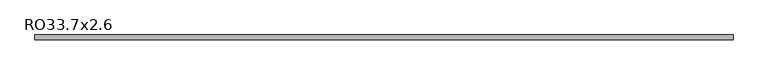
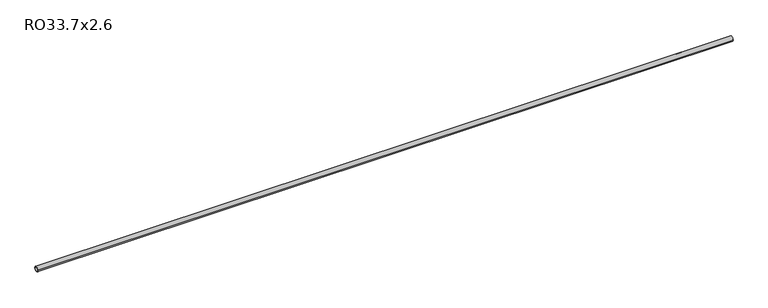
"""IFC4 building model written with IfcOpenShell, lengths in millimetres: beam geometry, RO33.7x2.6."""

from ifc_helpers import new_model, si_unit, point, frame, origin, origin_2d, place, context, project, spatial, circle_curve, trimmed, segment, composite_curve, outline, extrude, source, transform, mapped, element, save


def ro33_7x2_6_5d66c136(model_context):
    return source(origin(), model_context, "Body", "SweptSolid", [
        extrude(outline(composite_curve([segment(trimmed(circle_curve(origin_2d(), 16.85), [point((-16.85, 0.0))], [point((16.85, 0.0))], False, "CARTESIAN"), True, "CONTINUOUS"), segment(trimmed(circle_curve(origin_2d(), 16.85), [point((16.85, 0.0))], [point((-16.85, 0.0))], False, "CARTESIAN"), True, "CONTINUOUS")], self_intersect=False), holes=[composite_curve([segment(trimmed(circle_curve(origin_2d(), 14.25), [point((14.25, 0.0))], [point((-14.25, 0.0))], True, "CARTESIAN"), True, "CONTINUOUS"), segment(trimmed(circle_curve(origin_2d(), 14.25), [point((-14.25, 0.0))], [point((14.25, 0.0))], True, "CARTESIAN"), True, "CONTINUOUS")], self_intersect=False)]), frame((-2391.85, 0.0, 0.0), z_axis=(1.0, 0.0, 0.0), x_axis=(0.0, 1.0, 0.0)), (0.0, 0.0, 1.0), 4783.7),
    ])


if __name__ == "__main__":
    model = new_model("IFC4")
    model_context = context("Model", 3, world=origin())
    ifc_project = project(units=[si_unit("LENGTHUNIT", "METRE", prefix="MILLI")], contexts=[model_context])
    site = spatial("IfcSite", under=ifc_project)
    building = spatial("IfcBuilding", under=site)
    placement = place(None, origin())
    ro33_7x2_6_shape = ro33_7x2_6_5d66c136(model_context)
    element("IfcBeam", 1, ObjectType="RO33.7x2.6", at=placement, inside=building, context=model_context, shape_type="MappedRepresentation", body=[
        mapped(ro33_7x2_6_shape, transform((0.0, 0.0, 0.0), x_axis=(1.0, 0.0, 0.0), y_axis=(0.0, 1.0, 0.0), z_axis=(0.0, 0.0, 1.0))),
    ])
    save(model, "model.ifc")
